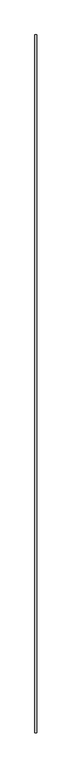
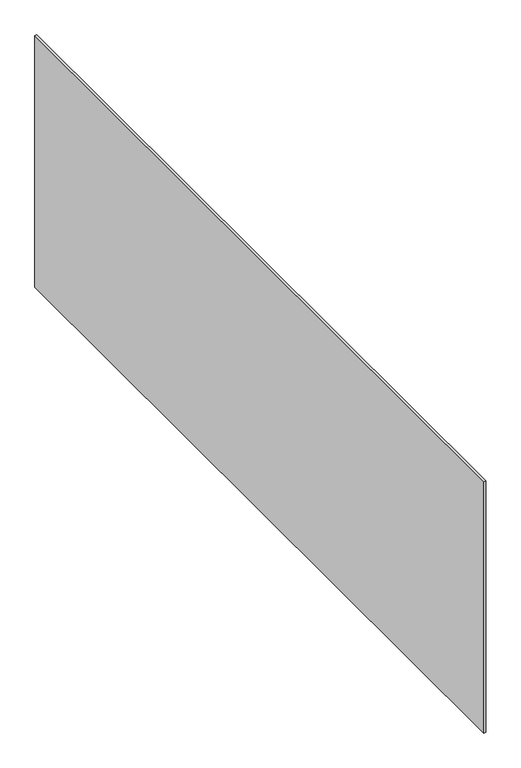
"""IFC4 building model written with IfcOpenShell, lengths in millimetres: proxy geometry."""

from ifc_helpers import new_model, si_unit, origin, origin_with_axes, place, context, project, spatial, polyline, outline, extrude, source, transform, mapped, element, save


def generic_models_3fd04232(model_context):
    return source(origin(), model_context, "Body", "SweptSolid", [
        extrude(outline(polyline([(10.0, -3800.0), (0.0, -3800.0), (0.0, 0.0), (10.0, 0.0), (10.0, -3800.0)])), origin_with_axes(), (0.0, 0.0, 1.0), 1300.0),
    ])


if __name__ == "__main__":
    model = new_model("IFC4")
    model_context = context("Model", 3, world=origin())
    ifc_project = project(units=[si_unit("LENGTHUNIT", "METRE", prefix="MILLI")], contexts=[model_context])
    site = spatial("IfcSite", under=ifc_project)
    building = spatial("IfcBuilding", under=site)
    placement = place(None, origin())
    generic_models_shape = generic_models_3fd04232(model_context)
    element("IfcBuildingElementProxy", 1, Name="Generic Models", at=placement, inside=building, context=model_context, shape_type="MappedRepresentation", body=[
        mapped(generic_models_shape, transform((0.0, 0.0, 0.0), x_axis=(1.0, 0.0, 0.0), y_axis=(0.0, 1.0, 0.0), z_axis=(0.0, 0.0, 1.0))),
    ])
    save(model, "model.ifc")
